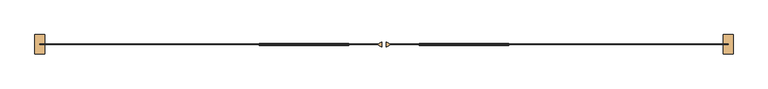
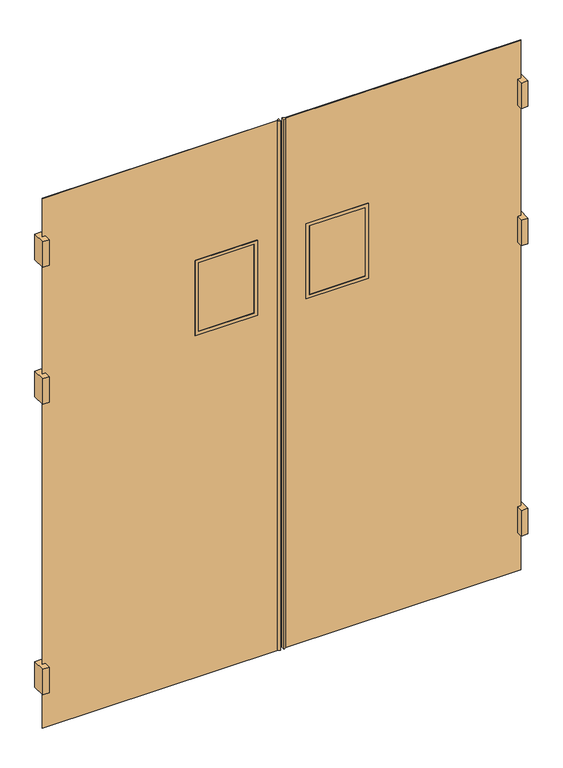
"""IFC4 building model written with IfcOpenShell, lengths in millimetres: door geometry."""

from ifc_helpers import new_model, si_unit, frame, origin, place, context, project, spatial, polyline, outline, extrude, source, transform, mapped, element, save


def door_a0d6692d(model_context):
    return source(origin(), model_context, "Body", "SweptSolid", [
        extrude(outline(polyline([(2521.8906968, -888.0410438), (2521.8906968, -837.2410438), (2547.2906968, -837.2410438), (2547.2906968, -888.0410438), (2521.8906968, -888.0410438)])), frame((0.0, 0.0, 1320.8), z_axis=(0.0, 0.0, 1.0), x_axis=(1.0, 0.0, 0.0)), (0.0, 0.0, 1.0), 101.6),
        extrude(outline(polyline([(2521.8906968, -888.0410438), (2521.8906968, -837.2410438), (2547.2906968, -837.2410438), (2547.2906968, -888.0410438), (2521.8906968, -888.0410438)])), frame((0.0, 0.0, 1866.9), z_axis=(0.0, 0.0, 1.0), x_axis=(1.0, 0.0, 0.0)), (0.0, 0.0, 1.0), 101.6),
        extrude(outline(polyline([(2521.8906968, -888.0410438), (2521.8906968, -837.2410438), (2547.2906968, -837.2410438), (2547.2906968, -888.0410438), (2521.8906968, -888.0410438)])), frame((0.0, 0.0, 165.1), z_axis=(0.0, 0.0, 1.0), x_axis=(1.0, 0.0, 0.0)), (0.0, 0.0, 1.0), 101.6),
        extrude(outline(polyline([(1639.2406968, -856.2910438), (1650.2392194, -862.6410438), (1639.2406968, -868.9910438), (1639.2406968, -856.2910438)])), frame((0.0, 0.0, 12.7), z_axis=(0.0, 0.0, 1.0), x_axis=(1.0, 0.0, 0.0)), (0.0, 0.0, 1.0), 2108.2),
        extrude(outline(polyline([(1737.6656968, -863.4347938), (1737.6656968, -861.8472938), (1947.2156968, -861.8472938), (1947.2156968, -863.4347938), (1737.6656968, -863.4347938)])), frame((0.0, 0.0, 1387.475), z_axis=(0.0, 0.0, 1.0), x_axis=(1.0, 0.0, 0.0)), (0.0, 0.0, 1.0), 273.05),
        extrude(outline(polyline([(1673.225, 1724.9656968), (1374.775, 1724.9656968), (1374.775, 1959.9156968), (1673.225, 1959.9156968), (1673.225, 1724.9656968)]), holes=[polyline([(1387.475, 1737.6656968), (1660.525, 1737.6656968), (1660.525, 1947.2156968), (1387.475, 1947.2156968), (1387.475, 1737.6656968)])]), frame((0.0, -865.0222938, 0.0), z_axis=(0.0, 1.0, 0.0), x_axis=(0.0, 0.0, 1.0)), (0.0, 0.0, 1.0), 4.7625),
        extrude(outline(polyline([(2120.9, 1645.5906968), (12.7, 1645.5906968), (12.7, 2534.5906968), (2120.9, 2534.5906968), (2120.9, 1645.5906968)]), holes=[polyline([(1663.7, 1734.4906968), (1663.7, 1950.3906968), (1384.3, 1950.3906968), (1384.3, 1734.4906968), (1663.7, 1734.4906968)])]), frame((0.0, -863.4347938, 0.0), z_axis=(0.0, 1.0, 0.0), x_axis=(0.0, 0.0, 1.0)), (0.0, 0.0, 1.0), 1.5875),
        extrude(outline(polyline([(743.8906968, -888.0410438), (718.4906968, -888.0410438), (718.4906968, -837.2410438), (743.8906968, -837.2410438), (743.8906968, -888.0410438)])), frame((0.0, 0.0, 1320.8), z_axis=(0.0, 0.0, 1.0), x_axis=(1.0, 0.0, 0.0)), (0.0, 0.0, 1.0), 101.6),
        extrude(outline(polyline([(743.8906968, -888.0410438), (718.4906968, -888.0410438), (718.4906968, -837.2410438), (743.8906968, -837.2410438), (743.8906968, -888.0410438)])), frame((0.0, 0.0, 1866.9), z_axis=(0.0, 0.0, 1.0), x_axis=(1.0, 0.0, 0.0)), (0.0, 0.0, 1.0), 101.6),
        extrude(outline(polyline([(743.8906968, -888.0410438), (718.4906968, -888.0410438), (718.4906968, -837.2410438), (743.8906968, -837.2410438), (743.8906968, -888.0410438)])), frame((0.0, 0.0, 165.1), z_axis=(0.0, 0.0, 1.0), x_axis=(1.0, 0.0, 0.0)), (0.0, 0.0, 1.0), 101.6),
        extrude(outline(polyline([(1626.5406968, -856.2910438), (1626.5406968, -868.9910438), (1615.5421742, -862.6410438), (1626.5406968, -856.2910438)])), frame((0.0, 0.0, 12.7), z_axis=(0.0, 0.0, 1.0), x_axis=(1.0, 0.0, 0.0)), (0.0, 0.0, 1.0), 2108.2),
        extrude(outline(polyline([(1528.1156968, -863.4347938), (1318.5656968, -863.4347938), (1318.5656968, -861.8472938), (1528.1156968, -861.8472938), (1528.1156968, -863.4347938)])), frame((0.0, 0.0, 1387.475), z_axis=(0.0, 0.0, 1.0), x_axis=(1.0, 0.0, 0.0)), (0.0, 0.0, 1.0), 273.05),
        extrude(outline(polyline([(1673.225, 1540.8156968), (1673.225, 1305.8656968), (1374.775, 1305.8656968), (1374.775, 1540.8156968), (1673.225, 1540.8156968)]), holes=[polyline([(1387.475, 1528.1156968), (1387.475, 1318.5656968), (1660.525, 1318.5656968), (1660.525, 1528.1156968), (1387.475, 1528.1156968)])]), frame((0.0, -865.0222938, 0.0), z_axis=(0.0, 1.0, 0.0), x_axis=(0.0, 0.0, 1.0)), (0.0, 0.0, 1.0), 4.7625),
        extrude(outline(polyline([(2120.9, 1620.1906968), (2120.9, 731.1906968), (12.7, 731.1906968), (12.7, 1620.1906968), (2120.9, 1620.1906968)]), holes=[polyline([(1663.7, 1531.2906968), (1384.3, 1531.2906968), (1384.3, 1315.3906968), (1663.7, 1315.3906968), (1663.7, 1531.2906968)])]), frame((0.0, -863.4347938, 0.0), z_axis=(0.0, 1.0, 0.0), x_axis=(0.0, 0.0, 1.0)), (0.0, 0.0, 1.0), 1.5875),
    ])


if __name__ == "__main__":
    model = new_model("IFC4")
    model_context = context("Model", 3, world=origin())
    ifc_project = project(units=[si_unit("LENGTHUNIT", "METRE", prefix="MILLI")], contexts=[model_context])
    site = spatial("IfcSite", under=ifc_project)
    building = spatial("IfcBuilding", under=site)
    placement = place(None, origin())
    door_shape = door_a0d6692d(model_context)
    element("IfcDoor", 1, at=placement, inside=building, context=model_context, shape_type="MappedRepresentation", body=[
        mapped(door_shape, transform((0.0, 0.0, 0.0), x_axis=(1.0, 0.0, 0.0), y_axis=(0.0, 1.0, 0.0), z_axis=(0.0, 0.0, 1.0))),
    ])
    save(model, "model.ifc")
